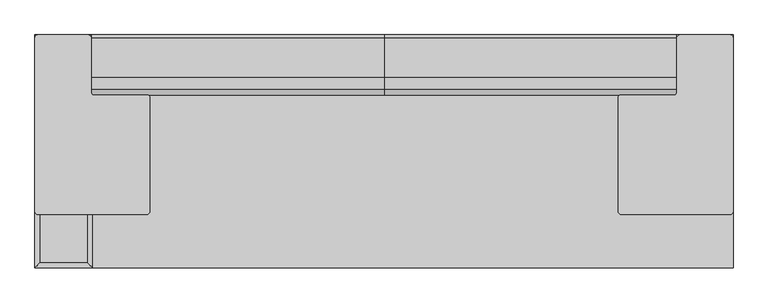
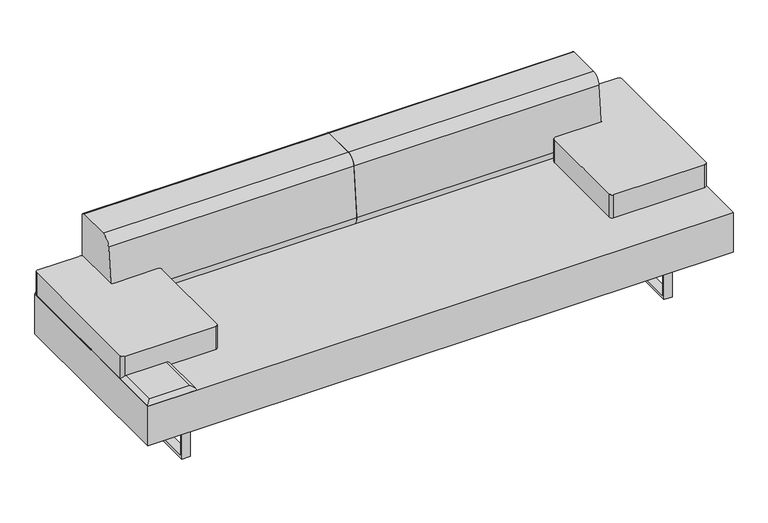
"""IFC4 building model written with IfcOpenShell, lengths in millimetres: furniture geometry."""

import ifcopenshell
import ifcopenshell.guid

model = None  # the IFC model being written
_history = None  # IfcOwnerHistory: only IFC2X3 demands one
_inside = {}  # id of a spatial element -> (the spatial element, [elements in it])
_under = {}  # id of a project, library or spatial element -> (it, [spatial elements below it])
_declared = {}  # id of a project -> (the project, [libraries it declares])
_typed = {}  # id of a type object -> (the type object, [elements of that type])
_made_of = {}  # id of a material, layer set ... -> (it, [elements and type objects made of it])


def new_model(schema):
    """Start an empty IFC model of exactly this schema.

    Asked for "IFC4X3", IfcOpenShell would pick the latest addendum, in which some entities
    have other attributes; the version numbers below select the first issue.
    IFC2X3 requires an IfcOwnerHistory on every rooted entity: one is made here for all.
    """
    global model, _history
    if schema == "IFC4X3":
        model = ifcopenshell.file(schema_version=(4, 3, 0, 0))
    else:
        model = ifcopenshell.file(schema=schema)
    _inside.clear()
    _under.clear()
    _declared.clear()
    _typed.clear()
    _made_of.clear()
    _history = None
    if model.schema == "IFC2X3":
        org = make("IfcOrganization", Name="unknown")
        user = make(
            "IfcPersonAndOrganization",
            ThePerson=make("IfcPerson", FamilyName="unknown"),
            TheOrganization=org,
        )
        app = make(
            "IfcApplication",
            ApplicationDeveloper=org,
            Version="unknown",
            ApplicationFullName="unknown",
            ApplicationIdentifier="unknown",
        )
        _history = make(
            "IfcOwnerHistory",
            OwningUser=user,
            OwningApplication=app,
            ChangeAction="ADDED",
            CreationDate=0,
        )
    return model


def make(cls, **values):
    """One entity of the class cls with the attributes given. An attribute that is None is left unset."""
    return model.create_entity(
        cls, **{name: value for name, value in values.items() if value is not None}
    )


def rooted(cls, **values):
    """An entity with a GlobalId (a new one), such as an element, a storey or a relation."""
    return make(cls, GlobalId=ifcopenshell.guid.new(), OwnerHistory=_history, **values)


def si_unit(unit_type, name, prefix=None):
    """IfcSIUnit, for example si_unit("LENGTHUNIT", "METRE", prefix="MILLI")."""
    return make("IfcSIUnit", UnitType=unit_type, Prefix=prefix, Name=name)


def assignment(units):
    """IfcUnitAssignment: the units of a project."""
    return None if units is None else make("IfcUnitAssignment", Units=units)


def point(xyz):
    """IfcCartesianPoint."""
    return None if xyz is None else make("IfcCartesianPoint", Coordinates=xyz)


def direction(xyz):
    """IfcDirection."""
    return None if xyz is None else make("IfcDirection", DirectionRatios=xyz)


def frame(location, z_axis=None, x_axis=None):
    """IfcAxis2Placement3D, a coordinate frame: its origin and axes. An axis left out is left unset."""
    return make(
        "IfcAxis2Placement3D",
        Location=point(location),
        Axis=direction(z_axis),
        RefDirection=direction(x_axis),
    )


def frame_2d(location, x_axis=None):
    """IfcAxis2Placement2D, a coordinate frame in the plane: its origin and x axis."""
    return make(
        "IfcAxis2Placement2D", Location=point(location), RefDirection=direction(x_axis)
    )


def origin():
    """The frame at (0, 0, 0) with its axes left unset."""
    return frame((0.0, 0.0, 0.0))


def place(relative_to, where):
    """IfcLocalPlacement: puts the frame where relative to a parent placement (None: the world)."""
    return make(
        "IfcLocalPlacement", PlacementRelTo=relative_to, RelativePlacement=where
    )


def context(
    kind, dimensions, precision=None, world=None, true_north=None, identifier=None
):
    """IfcGeometricRepresentationContext, for example the 3D "Model" context."""
    return make(
        "IfcGeometricRepresentationContext",
        ContextIdentifier=identifier,
        ContextType=kind,
        CoordinateSpaceDimension=dimensions,
        Precision=precision,
        WorldCoordinateSystem=world,
        TrueNorth=true_north,
    )


def project(units=None, contexts=None):
    """IfcProject with its units and contexts."""
    return rooted(
        "IfcProject",
        Name="project",
        RepresentationContexts=contexts,
        UnitsInContext=assignment(units),
    )


def spatial(cls, under=None, at=None, **own):
    """A site, building, storey or space (cls), placed at a placement, below another one or the project."""
    s = rooted(cls, ObjectPlacement=at, **own)
    if under is not None:
        _under.setdefault(under.id(), (under, []))[1].append(s)
    return s


def polyline(points):
    """IfcPolyline through the points."""
    return make("IfcPolyline", Points=[point(p) for p in points])


def circle_curve(where, radius):
    """IfcCircle in the frame where."""
    return make("IfcCircle", Position=where, Radius=radius)


def ellipse_curve(where, semi_axis1, semi_axis2):
    """IfcEllipse in the frame where."""
    return make(
        "IfcEllipse", Position=where, SemiAxis1=semi_axis1, SemiAxis2=semi_axis2
    )


def trimmed(basis, trim1, trim2, sense, master):
    """IfcTrimmedCurve: the piece of a basis curve between two trims."""
    return make(
        "IfcTrimmedCurve",
        BasisCurve=basis,
        Trim1=trim1,
        Trim2=trim2,
        SenseAgreement=sense,
        MasterRepresentation=master,
    )


def segment(curve, same_sense, transition):
    """IfcCompositeCurveSegment."""
    return make(
        "IfcCompositeCurveSegment",
        Transition=transition,
        SameSense=same_sense,
        ParentCurve=curve,
    )


def composite_curve(segments, self_intersect=None):
    """IfcCompositeCurve: segments joined end to end."""
    return make("IfcCompositeCurve", Segments=segments, SelfIntersect=self_intersect)


def outline(outer, holes=None, kind="AREA"):
    """IfcArbitraryClosedProfileDef: a profile drawn as a closed curve; with holes, ...WithVoids."""
    if holes is None:
        return make("IfcArbitraryClosedProfileDef", ProfileType=kind, OuterCurve=outer)
    return make(
        "IfcArbitraryProfileDefWithVoids",
        ProfileType=kind,
        OuterCurve=outer,
        InnerCurves=holes,
    )


def extrude(swept, where, along, depth):
    """IfcExtrudedAreaSolid: the profile swept, set in the frame where, extruded along a direction by depth."""
    return make(
        "IfcExtrudedAreaSolid",
        SweptArea=swept,
        Position=where,
        ExtrudedDirection=direction(along),
        Depth=depth,
    )


def shape(context_of_items, identifier, shape_type, items):
    """IfcShapeRepresentation: the items that make up one representation, for example the "Body"."""
    return make(
        "IfcShapeRepresentation",
        ContextOfItems=context_of_items,
        RepresentationIdentifier=identifier,
        RepresentationType=shape_type,
        Items=items,
    )


def source(mapping_origin, context_of_items, identifier, shape_type, items):
    """IfcRepresentationMap: a shape defined once, which mapped items show again and again."""
    return make(
        "IfcRepresentationMap",
        MappingOrigin=mapping_origin,
        MappedRepresentation=shape(context_of_items, identifier, shape_type, items),
    )


def transform(
    local_origin,
    x_axis=None,
    y_axis=None,
    z_axis=None,
    scale=None,
    scale2=None,
    scale3=None,
    uniform=True,
):
    """IfcCartesianTransformationOperator3D, or its non-uniform kind. x_axis, y_axis, z_axis: its Axis1, 2, 3."""
    if uniform:
        return make(
            "IfcCartesianTransformationOperator3D",
            Axis1=direction(x_axis),
            Axis2=direction(y_axis),
            LocalOrigin=point(local_origin),
            Scale=scale,
            Axis3=direction(z_axis),
        )
    return make(
        "IfcCartesianTransformationOperator3DnonUniform",
        Axis1=direction(x_axis),
        Axis2=direction(y_axis),
        LocalOrigin=point(local_origin),
        Scale=scale,
        Axis3=direction(z_axis),
        Scale2=scale2,
        Scale3=scale3,
    )


def mapped(mapping_source, mapping_target):
    """IfcMappedItem: shows the shape of a source again, moved by a transform."""
    return make(
        "IfcMappedItem", MappingSource=mapping_source, MappingTarget=mapping_target
    )


def made_of(thing, what):
    """Note that an element or type object is made of a material, layer set ...; save() writes the relation."""
    if what is not None:
        _made_of.setdefault(what.id(), (what, []))[1].append(thing)
    return thing


def element(
    cls,
    number,
    at=None,
    inside=None,
    cuts=None,
    type_object=None,
    material=None,
    context=None,
    identifier="Body",
    shape_type=None,
    held_by="IfcProductDefinitionShape",
    body=None,
    shapes=None,
    **own,
):
    """One element of the class cls, such as IfcWall. Its Tag is "e" and its number.

    at: its placement. inside: the storey or other place that contains it. cuts: it is an
    opening in that element (IfcRelVoidsElement). A single representation is given by context,
    identifier, shape_type and body (its items); several are given by shapes. held_by: the class
    of the entity that holds the representations. save() writes the other relations.
    """
    e = rooted(cls, Tag="e%d" % number, ObjectPlacement=at, **own)
    if body is not None:
        shapes = [shape(context, identifier, shape_type, body)]
    if shapes is not None:
        e.Representation = make(held_by, Representations=shapes)
    if inside is not None:
        _inside.setdefault(inside.id(), (inside, []))[1].append(e)
    if cuts is not None:
        rooted(
            "IfcRelVoidsElement", RelatingBuildingElement=cuts, RelatedOpeningElement=e
        )
    if type_object is not None:
        _typed.setdefault(type_object.id(), (type_object, []))[1].append(e)
    return made_of(e, material)


def aggregate(whole, parts):
    """IfcRelAggregates: a whole, such as a stair, and the parts it consists of."""
    return rooted("IfcRelAggregates", RelatingObject=whole, RelatedObjects=parts)


def save(model, path):
    """Write the relations noted so far, then the file.

    IfcRelAggregates (storeys below a building ...), IfcRelContainedInSpatialStructure (elements
    in a storey), IfcRelDefinesByType, IfcRelAssociatesMaterial and IfcRelDeclares: one each for
    every whole, place, type object, material and project.
    """
    for whole, parts in _under.values():
        aggregate(whole, parts)
    for where, things in _inside.values():
        rooted(
            "IfcRelContainedInSpatialStructure",
            RelatedElements=things,
            RelatingStructure=where,
        )
    for kind, things in _typed.values():
        rooted("IfcRelDefinesByType", RelatedObjects=things, RelatingType=kind)
    for what, things in _made_of.values():
        rooted("IfcRelAssociatesMaterial", RelatedObjects=things, RelatingMaterial=what)
    for by, libraries in _declared.values():
        rooted("IfcRelDeclares", RelatingContext=by, RelatedDefinitions=libraries)
    model.write(path)


def plane_surface(at):
    """IfcPlane: the flat surface through the origin of the frame at, square to its z axis."""
    return make("IfcPlane", Position=at)


def cylinder_surface(at, radius):
    """IfcCylindricalSurface: all points at the distance radius from the z axis of the frame at."""
    return make("IfcCylindricalSurface", Position=at, Radius=radius)


def advanced_brep(points, edges, surfaces, faces):
    """IfcAdvancedBrep: a solid bounded by faces that lie on surfaces and meet in shared edges.

    An edge is (start, end): straight between two places in points (the first is 0);
    or (start, end, curve); or (start, end, curve, False) where it runs against its curve.
    A face is (place in surfaces, loops), or (place, loops, False) where it looks against
    its surface's normal. A loop lists edges by number (the first is 1), with a minus sign
    where the edge is run from its end to its start. The first loop is the outer one.
    """
    corners = [point(p) for p in points]
    vertices = [make("IfcVertexPoint", VertexGeometry=c) for c in corners]
    made = []
    for start, end, *more in edges:
        made.append(
            make(
                "IfcEdgeCurve",
                EdgeStart=vertices[start],
                EdgeEnd=vertices[end],
                EdgeGeometry=more[0] if more else make("IfcPolyline", Points=[corners[start], corners[end]]),
                SameSense=more[1] if len(more) > 1 else True,
            )
        )
    hull = []
    for where, loops, *sense in faces:
        bounds = []
        for j, loop in enumerate(loops):
            ring = [make("IfcOrientedEdge", EdgeElement=made[abs(k) - 1], Orientation=k > 0) for k in loop]
            bounds.append(
                make(
                    "IfcFaceOuterBound" if j == 0 else "IfcFaceBound",
                    Bound=make("IfcEdgeLoop", EdgeList=ring),
                    Orientation=True,
                )
            )
        hull.append(make("IfcAdvancedFace", Bounds=bounds, FaceSurface=surfaces[where], SameSense=sense[0] if sense else True))
    return make("IfcAdvancedBrep", Outer=make("IfcClosedShell", CfsFaces=hull))


def furniture_d299ab13(model_context):
    return source(origin(), model_context, "Body", "SolidModel", [
        advanced_brep(
        [(-1128.5755122, 17.9605122, 411.6605122), (-1128.5755122, 204.2894878, 411.6605122), (-1312.3644878, 204.2894878, 411.6605122), (-1312.3644878, 17.9605122, 411.6605122), (-1110.615, 222.25, 393.7), (-1110.615, 0.0, 393.7), (-1330.325, 0.0, 393.7), (-1330.325, 222.25, 393.7)],
        [
            (0, 1),
            (1, 2),
            (2, 3),
            (3, 0),
            (4, 5),
            (5, 6),
            (6, 7),
            (7, 4),
            (4, 1, ellipse_curve(frame((-1128.5755122, 204.2894878, 393.7), z_axis=(0.7071067811865475, -0.7071067811865475, 0.0), x_axis=(0.7071067811865474, 0.7071067811865476, 0.0)), 25.4, 17.9605122)),
            (0, 5, ellipse_curve(frame((-1128.5755122, 17.9605122, 393.7), z_axis=(0.7071067811865475, 0.7071067811865475, 0.0), x_axis=(-0.7071067811865474, 0.7071067811865476, 0.0)), 25.4, 17.9605122)),
            (3, 6, ellipse_curve(frame((-1312.3644878, 17.9605122, 393.7), z_axis=(0.7071067811865475, -0.7071067811865475, 0.0), x_axis=(0.7071067811865476, 0.7071067811865474, 0.0)), 25.4, 17.9605122)),
            (2, 7, ellipse_curve(frame((-1312.3644878, 204.2894878, 393.7), z_axis=(-0.7071067811865475, -0.7071067811865475, 0.0), x_axis=(0.7071067811865474, -0.7071067811865476, 0.0)), 25.4, 17.9605122)),
        ],
        [
            plane_surface(frame((-1312.3644878, 204.2894878, 411.6605122), z_axis=(0.0, 0.0, 1.0), x_axis=(-1.0, 0.0, 0.0))),
            plane_surface(frame((-1312.3644878, 204.2894878, 393.7), z_axis=(0.0, 0.0, -1.0), x_axis=(1.0, 0.0, 0.0))),
            cylinder_surface(frame((-1128.5755122, 222.25, 393.7), z_axis=(0.0, 1.0, 0.0), x_axis=(1.0, 0.0, 0.0)), 17.9605122),
            cylinder_surface(frame((-1110.615, 17.9605122, 393.7), z_axis=(1.0, 0.0, 0.0), x_axis=(0.0, -1.0, 0.0)), 17.9605122),
            cylinder_surface(frame((-1312.3644878, 0.0, 393.7), z_axis=(0.0, -1.0, 0.0), x_axis=(-1.0, 0.0, 0.0)), 17.9605122),
            cylinder_surface(frame((-1330.325, 204.2894878, 393.7), z_axis=(-1.0, 0.0, 0.0), x_axis=(0.0, 1.0, 0.0)), 17.9605122),
        ],
        [
            (0, [[1, 2, 3, 4]]),
            (1, [[5, 6, 7, 8]]),
            (2, [[9, -1, 10, -5]]),
            (3, [[-10, -4, 11, -6]]),
            (4, [[-11, -3, 12, -7]]),
            (5, [[-9, -8, -12, -2]]),
        ],
    ),
        advanced_brep(
        [(-1128.5755122, 240.2105122, 411.6605122), (-1128.5755122, 426.5394878, 411.6605122), (-1312.3644878, 426.5394878, 411.6605122), (-1312.3644878, 240.2105122, 411.6605122), (-1110.615, 444.5, 393.7), (-1110.615, 222.25, 393.7), (-1330.325, 222.25, 393.7), (-1330.325, 444.5, 393.7)],
        [
            (0, 1),
            (1, 2),
            (2, 3),
            (3, 0),
            (4, 5),
            (5, 6),
            (6, 7),
            (7, 4),
            (4, 1, ellipse_curve(frame((-1128.5755122, 426.5394878, 393.7), z_axis=(0.7071067811865475, -0.7071067811865475, 0.0), x_axis=(0.7071067811865474, 0.7071067811865476, 0.0)), 25.4, 17.9605122)),
            (0, 5, ellipse_curve(frame((-1128.5755122, 240.2105122, 393.7), z_axis=(0.7071067811865475, 0.7071067811865475, 0.0), x_axis=(-0.7071067811865474, 0.7071067811865476, 0.0)), 25.4, 17.9605122)),
            (3, 6, ellipse_curve(frame((-1312.3644878, 240.2105122, 393.7), z_axis=(0.7071067811865475, -0.7071067811865475, 0.0), x_axis=(0.7071067811865476, 0.7071067811865474, 0.0)), 25.4, 17.9605122)),
            (2, 7, ellipse_curve(frame((-1312.3644878, 426.5394878, 393.7), z_axis=(-0.7071067811865475, -0.7071067811865475, 0.0), x_axis=(0.7071067811865474, -0.7071067811865476, 0.0)), 25.4, 17.9605122)),
        ],
        [
            plane_surface(frame((-1312.3644878, 426.5394878, 411.6605122), z_axis=(0.0, 0.0, 1.0), x_axis=(-1.0, 0.0, 0.0))),
            plane_surface(frame((-1312.3644878, 426.5394878, 393.7), z_axis=(0.0, 0.0, -1.0), x_axis=(1.0, 0.0, 0.0))),
            cylinder_surface(frame((-1128.5755122, 444.5, 393.7), z_axis=(0.0, 1.0, 0.0), x_axis=(1.0, 0.0, 0.0)), 17.9605122),
            cylinder_surface(frame((-1110.615, 240.2105122, 393.7), z_axis=(1.0, 0.0, 0.0), x_axis=(0.0, -1.0, 0.0)), 17.9605122),
            cylinder_surface(frame((-1312.3644878, 222.25, 393.7), z_axis=(0.0, -1.0, 0.0), x_axis=(-1.0, 0.0, 0.0)), 17.9605122),
            cylinder_surface(frame((-1330.325, 426.5394878, 393.7), z_axis=(-1.0, 0.0, 0.0), x_axis=(0.0, 1.0, 0.0)), 17.9605122),
        ],
        [
            (0, [[1, 2, 3, 4]]),
            (1, [[5, 6, 7, 8]]),
            (2, [[9, -1, 10, -5]]),
            (3, [[-10, -4, 11, -6]]),
            (4, [[-11, -3, 12, -7]]),
            (5, [[-9, -8, -12, -2]]),
        ],
    ),
        advanced_brep(
        [(-1110.615, -222.25, 393.7), (-1128.5755122, -240.2105122, 411.6605122), (-1128.5755122, -426.5394878, 411.6605122), (-1110.615, -444.5, 393.7), (-1312.3644878, -426.5394878, 411.6605122), (-1330.325, -444.5, 393.7), (-1312.3644878, -240.2105122, 411.6605122), (-1330.325, -222.25, 393.7)],
        [
            (0, 1, ellipse_curve(frame((-1128.5755122, -240.2105122, 393.7), z_axis=(0.7071067811865475, -0.7071067811865475, 0.0), x_axis=(0.7071067811865474, 0.7071067811865476, 0.0)), 25.4, 17.9605122)),
            (1, 2),
            (2, 3, ellipse_curve(frame((-1128.5755122, -426.5394878, 393.7), z_axis=(0.7071067811865475, 0.7071067811865475, 0.0), x_axis=(-0.7071067811865474, 0.7071067811865476, 0.0)), 25.4, 17.9605122)),
            (3, 0),
            (2, 4),
            (4, 5, ellipse_curve(frame((-1312.3644878, -426.5394878, 393.7), z_axis=(0.7071067811865475, -0.7071067811865475, 0.0), x_axis=(0.7071067811865476, 0.7071067811865474, 0.0)), 25.4, 17.9605122)),
            (5, 3),
            (4, 6),
            (6, 7, ellipse_curve(frame((-1312.3644878, -240.2105122, 393.7), z_axis=(-0.7071067811865475, -0.7071067811865475, 0.0), x_axis=(0.7071067811865474, -0.7071067811865476, 0.0)), 25.4, 17.9605122)),
            (7, 5),
            (0, 7),
            (6, 1),
        ],
        [
            cylinder_surface(frame((-1128.5755122, -222.25, 393.7), z_axis=(0.0, 1.0, 0.0), x_axis=(1.0, 0.0, 0.0)), 17.9605122),
            cylinder_surface(frame((-1110.615, -426.5394878, 393.7), z_axis=(1.0, 0.0, 0.0), x_axis=(0.0, -1.0, 0.0)), 17.9605122),
            cylinder_surface(frame((-1312.3644878, -444.5, 393.7), z_axis=(0.0, -1.0, 0.0), x_axis=(-1.0, 0.0, 0.0)), 17.9605122),
            cylinder_surface(frame((-1330.325, -240.2105122, 393.7), z_axis=(-1.0, 0.0, 0.0), x_axis=(0.0, 1.0, 0.0)), 17.9605122),
            plane_surface(frame((-1330.325, -222.25, 393.7), z_axis=(0.0, 0.0, -1.0), x_axis=(1.0, 0.0, 0.0))),
            plane_surface(frame((-1312.3644878, -240.2105122, 411.6605122), z_axis=(0.0, 0.0, 1.0), x_axis=(-1.0, 0.0, 0.0))),
        ],
        [
            (0, [[1, 2, 3, 4]]),
            (1, [[-3, 5, 6, 7]]),
            (2, [[-6, 8, 9, 10]]),
            (3, [[-1, 11, -9, 12]]),
            (4, [[-4, -7, -10, -11]]),
            (5, [[-2, -12, -8, -5]]),
        ],
    ),
        extrude(outline(polyline([(-339.4724839, 0.0), (-339.4724839, 203.2), (341.6588694, 203.2), (341.6588694, 0.0), (-339.4724839, 0.0)]), holes=[polyline([(-326.7724839, 190.5), (-326.7724839, 12.7), (328.9588694, 12.7), (328.9588694, 190.5), (-326.7724839, 190.5)])]), frame((-1114.425, 0.0, 0.0), z_axis=(1.0, 0.0, 0.0), x_axis=(0.0, 1.0, 0.0)), (0.0, 0.0, 1.0), 38.0999535),
        extrude(outline(polyline([(-339.4724839, 203.2), (341.6588694, 203.2), (341.6588694, 0.0), (-339.4724839, 0.0), (-339.4724839, 203.2)]), holes=[polyline([(-326.7724839, 12.7), (328.9588694, 12.7), (328.9588694, 190.5), (-326.7724839, 190.5), (-326.7724839, 12.7)])]), frame((1076.3250465, 0.0, 0.0), z_axis=(1.0, 0.0, 0.0), x_axis=(0.0, 1.0, 0.0)), (0.0, 0.0, 1.0), 38.0999535),
        extrude(outline(polyline([(1330.325, 444.5), (1330.325, -444.5), (-1330.325, -444.5), (-1330.325, 444.5), (1330.325, 444.5)])), frame((0.0, 0.0, 203.2), z_axis=(0.0, 0.0, 1.0), x_axis=(1.0, 0.0, 0.0)), (0.0, 0.0, 1.0), 190.5),
        extrude(outline(composite_curve([segment(trimmed(circle_curve(frame_2d((1317.6954079, -228.6704079)), 12.6295921), [point((1330.325, -228.6704079))], [point((1317.6954079, -241.3))], False, "CARTESIAN"), True, "CONTINUOUS"), segment(polyline([(1317.6954079, -241.3), (904.5333894, -241.3)]), True, "CONTINUOUS"), segment(trimmed(circle_curve(frame_2d((904.5333894, -228.8858225)), 12.4141775), [point((904.5333894, -241.3))], [point((892.1192118, -228.8858225))], False, "CARTESIAN"), True, "CONTINUOUS"), segment(polyline([(892.1192118, -228.8858225), (892.1192118, 203.749728)]), True, "CONTINUOUS"), segment(trimmed(circle_curve(frame_2d((903.6748743, 203.749728)), 11.5556624), [point((892.1192118, 203.749728))], [point((903.6748743, 215.3053904))], False, "CARTESIAN"), True, "CONTINUOUS"), segment(polyline([(903.6748743, 215.3053904), (1103.5361124, 215.3053904)]), True, "CONTINUOUS"), segment(trimmed(circle_curve(frame_2d((1106.5121166, 235.7890089)), 20.6986769), [point((1103.5361124, 215.3053904))], [point((1114.425, 216.6625481))], True, "CARTESIAN"), True, "CONTINUOUS"), segment(polyline([(1114.425, 216.6625481), (1114.425, 429.5025683)]), True, "CONTINUOUS"), segment(trimmed(circle_curve(frame_2d((1129.4224317, 429.5025683)), 14.9974317), [point((1114.425, 429.5025683))], [point((1129.4224317, 444.5))], False, "CARTESIAN"), True, "CONTINUOUS"), segment(polyline([(1129.4224317, 444.5), (1317.638411, 444.5)]), True, "CONTINUOUS"), segment(trimmed(circle_curve(frame_2d((1317.638411, 431.813411)), 12.686589), [point((1317.638411, 444.5))], [point((1330.325, 431.813411))], False, "CARTESIAN"), True, "CONTINUOUS"), segment(polyline([(1330.325, 431.813411), (1330.325, -228.6704079)]), True, "CONTINUOUS")], self_intersect=False)), frame((0.0, 0.0, 393.7), z_axis=(0.0, 0.0, 1.0), x_axis=(1.0, 0.0, 0.0)), (0.0, 0.0, 1.0), 111.7620251),
        extrude(outline(composite_curve([segment(polyline([(444.5, 393.7), (232.6067514, 393.7)]), True, "CONTINUOUS"), segment(trimmed(circle_curve(frame_2d((263.4189927, 430.9463408)), 48.3392606), [point((232.6067514, 393.7))], [point((215.3053904, 435.6116811))], False, "CARTESIAN"), True, "CONTINUOUS"), segment(polyline([(215.3053904, 435.6116811), (237.9512344, 669.1580194)]), True, "CONTINUOUS"), segment(trimmed(circle_curve(frame_2d((282.1937319, 664.8680412)), 44.45), [point((237.9512344, 669.1580194))], [point((282.1937319, 709.3180412))], False, "CARTESIAN"), True, "CONTINUOUS"), segment(polyline([(282.1937319, 709.3180412), (434.544558, 709.3180412)]), True, "CONTINUOUS"), segment(trimmed(circle_curve(frame_2d((434.544558, 699.3625993)), 9.955442), [point((434.544558, 709.3180412))], [point((444.5, 699.3625993))], False, "CARTESIAN"), True, "CONTINUOUS"), segment(polyline([(444.5, 699.3625993), (444.5, 393.7)]), True, "CONTINUOUS")], self_intersect=False)), frame((-1114.425, 0.0, 0.0), z_axis=(1.0, 0.0, 0.0), x_axis=(0.0, 1.0, 0.0)), (0.0, 0.0, 1.0), 1114.425),
        extrude(outline(composite_curve([segment(polyline([(-1330.325, -228.6704079), (-1330.325, 431.813411)]), True, "CONTINUOUS"), segment(trimmed(circle_curve(frame_2d((-1317.638411, 431.813411)), 12.686589), [point((-1330.325, 431.813411))], [point((-1317.638411, 444.5))], False, "CARTESIAN"), True, "CONTINUOUS"), segment(polyline([(-1317.638411, 444.5), (-1129.4224317, 444.5)]), True, "CONTINUOUS"), segment(trimmed(circle_curve(frame_2d((-1129.4224317, 429.5025683)), 14.9974317), [point((-1129.4224317, 444.5))], [point((-1114.425, 429.5025683))], False, "CARTESIAN"), True, "CONTINUOUS"), segment(polyline([(-1114.425, 429.5025683), (-1114.425, 216.6625481)]), True, "CONTINUOUS"), segment(trimmed(circle_curve(frame_2d((-1106.5121166, 235.7890089)), 20.6986769), [point((-1114.425, 216.6625481))], [point((-1103.5361124, 215.3053904))], True, "CARTESIAN"), True, "CONTINUOUS"), segment(polyline([(-1103.5361124, 215.3053904), (-903.6748743, 215.3053904)]), True, "CONTINUOUS"), segment(trimmed(circle_curve(frame_2d((-903.6748743, 203.749728)), 11.5556624), [point((-903.6748743, 215.3053904))], [point((-892.1192118, 203.749728))], False, "CARTESIAN"), True, "CONTINUOUS"), segment(polyline([(-892.1192118, 203.749728), (-892.1192118, -228.8858225)]), True, "CONTINUOUS"), segment(trimmed(circle_curve(frame_2d((-904.5333894, -228.8858225)), 12.4141775), [point((-892.1192118, -228.8858225))], [point((-904.5333894, -241.3))], False, "CARTESIAN"), True, "CONTINUOUS"), segment(polyline([(-904.5333894, -241.3), (-1317.6954079, -241.3)]), True, "CONTINUOUS"), segment(trimmed(circle_curve(frame_2d((-1317.6954079, -228.6704079)), 12.6295921), [point((-1317.6954079, -241.3))], [point((-1330.325, -228.6704079))], False, "CARTESIAN"), True, "CONTINUOUS")], self_intersect=False)), frame((0.0, 0.0, 393.7), z_axis=(0.0, 0.0, 1.0), x_axis=(1.0, 0.0, 0.0)), (0.0, 0.0, 1.0), 111.7620251),
        extrude(outline(composite_curve([segment(polyline([(444.5, 393.7), (232.6067514, 393.7)]), True, "CONTINUOUS"), segment(trimmed(circle_curve(frame_2d((263.4189927, 430.9463408)), 48.3392606), [point((232.6067514, 393.7))], [point((215.3053904, 435.6116811))], False, "CARTESIAN"), True, "CONTINUOUS"), segment(polyline([(215.3053904, 435.6116811), (237.9512344, 669.1580194)]), True, "CONTINUOUS"), segment(trimmed(circle_curve(frame_2d((282.1937319, 664.8680412)), 44.45), [point((237.9512344, 669.1580194))], [point((282.1937319, 709.3180412))], False, "CARTESIAN"), True, "CONTINUOUS"), segment(polyline([(282.1937319, 709.3180412), (434.544558, 709.3180412)]), True, "CONTINUOUS"), segment(trimmed(circle_curve(frame_2d((434.544558, 699.3625993)), 9.955442), [point((434.544558, 709.3180412))], [point((444.5, 699.3625993))], False, "CARTESIAN"), True, "CONTINUOUS"), segment(polyline([(444.5, 699.3625993), (444.5, 393.7)]), True, "CONTINUOUS")], self_intersect=False)), frame((0.0, 0.0, 0.0), z_axis=(1.0, 0.0, 0.0), x_axis=(0.0, 1.0, 0.0)), (0.0, 0.0, 1.0), 1114.425),
    ])


if __name__ == "__main__":
    model = new_model("IFC4")
    model_context = context("Model", 3, world=origin())
    ifc_project = project(units=[si_unit("LENGTHUNIT", "METRE", prefix="MILLI")], contexts=[model_context])
    site = spatial("IfcSite", under=ifc_project)
    building = spatial("IfcBuilding", under=site)
    placement = place(None, origin())
    furniture_shape = furniture_d299ab13(model_context)
    element("IfcFurniture", 1, at=placement, inside=building, context=model_context, shape_type="MappedRepresentation", body=[
        mapped(furniture_shape, transform((0.0, 0.0, 0.0), x_axis=(1.0, 0.0, 0.0), y_axis=(0.0, 1.0, 0.0), z_axis=(0.0, 0.0, 1.0))),
    ])
    save(model, "model.ifc")
